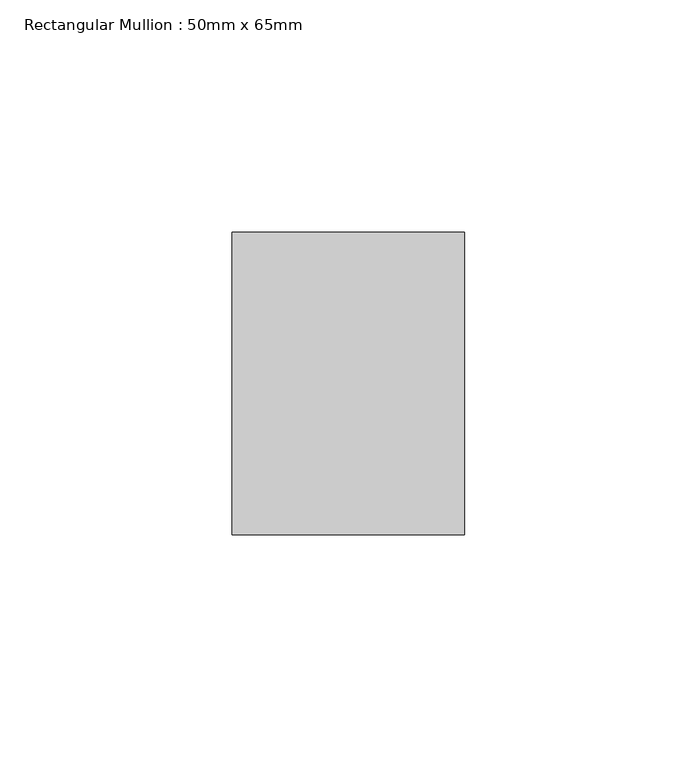
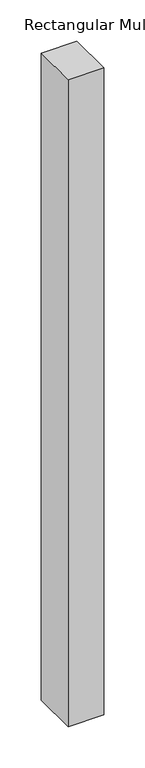
"""IFC4 building model written with IfcOpenShell, lengths in millimetres: member geometry, Rectangular Mullion : 50mm x 65mm."""

from ifc_helpers import new_model, si_unit, frame, origin, place, context, project, spatial, polyline, outline, extrude, source, transform, mapped, element, save


def rectangular_mullion_50mm_x_65mm_246dcf0c(model_context):
    return source(origin(), model_context, "Body", "SweptSolid", [
        extrude(outline(polyline([(25.0, 32.5), (25.0, -32.5), (-25.0, -32.5), (-25.0, 32.5), (25.0, 32.5)])), frame((0.0, 0.0, -957.7639894), z_axis=(0.0, 0.0, 1.0), x_axis=(1.0, 0.0, 0.0)), (0.0, 0.0, 1.0), 957.7639894),
    ])


if __name__ == "__main__":
    model = new_model("IFC4")
    model_context = context("Model", 3, world=origin())
    ifc_project = project(units=[si_unit("LENGTHUNIT", "METRE", prefix="MILLI")], contexts=[model_context])
    site = spatial("IfcSite", under=ifc_project)
    building = spatial("IfcBuilding", under=site)
    placement = place(None, origin())
    rectangular_mullion_50mm_x_65mm_shape = rectangular_mullion_50mm_x_65mm_246dcf0c(model_context)
    element("IfcMember", 1, ObjectType="Rectangular Mullion : 50mm x 65mm", at=placement, inside=building, context=model_context, shape_type="MappedRepresentation", body=[
        mapped(rectangular_mullion_50mm_x_65mm_shape, transform((0.0, 0.0, 0.0), x_axis=(1.0, 0.0, 0.0), y_axis=(0.0, 1.0, 0.0), z_axis=(0.0, 0.0, 1.0))),
    ])
    save(model, "model.ifc")
